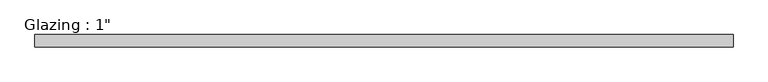
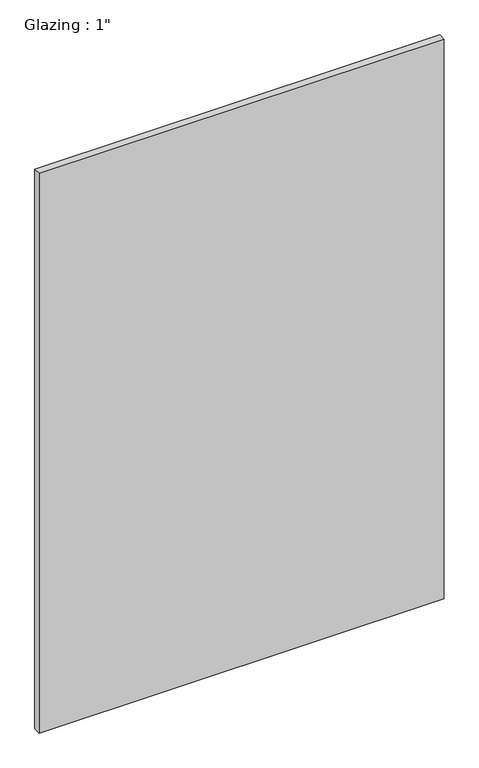
"""IFC4 building model written with IfcOpenShell, lengths in millimetres: plate geometry."""

import ifcopenshell
import ifcopenshell.guid

model = None  # the IFC model being written
_history = None  # IfcOwnerHistory: only IFC2X3 demands one
_inside = {}  # id of a spatial element -> (the spatial element, [elements in it])
_under = {}  # id of a project, library or spatial element -> (it, [spatial elements below it])
_declared = {}  # id of a project -> (the project, [libraries it declares])
_typed = {}  # id of a type object -> (the type object, [elements of that type])
_made_of = {}  # id of a material, layer set ... -> (it, [elements and type objects made of it])


def new_model(schema):
    """Start an empty IFC model of exactly this schema.

    Asked for "IFC4X3", IfcOpenShell would pick the latest addendum, in which some entities
    have other attributes; the version numbers below select the first issue.
    IFC2X3 requires an IfcOwnerHistory on every rooted entity: one is made here for all.
    """
    global model, _history
    if schema == "IFC4X3":
        model = ifcopenshell.file(schema_version=(4, 3, 0, 0))
    else:
        model = ifcopenshell.file(schema=schema)
    _inside.clear()
    _under.clear()
    _declared.clear()
    _typed.clear()
    _made_of.clear()
    _history = None
    if model.schema == "IFC2X3":
        org = make("IfcOrganization", Name="unknown")
        user = make(
            "IfcPersonAndOrganization",
            ThePerson=make("IfcPerson", FamilyName="unknown"),
            TheOrganization=org,
        )
        app = make(
            "IfcApplication",
            ApplicationDeveloper=org,
            Version="unknown",
            ApplicationFullName="unknown",
            ApplicationIdentifier="unknown",
        )
        _history = make(
            "IfcOwnerHistory",
            OwningUser=user,
            OwningApplication=app,
            ChangeAction="ADDED",
            CreationDate=0,
        )
    return model


def make(cls, **values):
    """One entity of the class cls with the attributes given. An attribute that is None is left unset."""
    return model.create_entity(
        cls, **{name: value for name, value in values.items() if value is not None}
    )


def rooted(cls, **values):
    """An entity with a GlobalId (a new one), such as an element, a storey or a relation."""
    return make(cls, GlobalId=ifcopenshell.guid.new(), OwnerHistory=_history, **values)


def si_unit(unit_type, name, prefix=None):
    """IfcSIUnit, for example si_unit("LENGTHUNIT", "METRE", prefix="MILLI")."""
    return make("IfcSIUnit", UnitType=unit_type, Prefix=prefix, Name=name)


def assignment(units):
    """IfcUnitAssignment: the units of a project."""
    return None if units is None else make("IfcUnitAssignment", Units=units)


def point(xyz):
    """IfcCartesianPoint."""
    return None if xyz is None else make("IfcCartesianPoint", Coordinates=xyz)


def direction(xyz):
    """IfcDirection."""
    return None if xyz is None else make("IfcDirection", DirectionRatios=xyz)


def frame(location, z_axis=None, x_axis=None):
    """IfcAxis2Placement3D, a coordinate frame: its origin and axes. An axis left out is left unset."""
    return make(
        "IfcAxis2Placement3D",
        Location=point(location),
        Axis=direction(z_axis),
        RefDirection=direction(x_axis),
    )


def origin():
    """The frame at (0, 0, 0) with its axes left unset."""
    return frame((0.0, 0.0, 0.0))


def origin_with_axes():
    """The frame at (0, 0, 0) with the z axis (0, 0, 1) and the x axis (1, 0, 0) written out."""
    return frame((0.0, 0.0, 0.0), z_axis=(0.0, 0.0, 1.0), x_axis=(1.0, 0.0, 0.0))


def place(relative_to, where):
    """IfcLocalPlacement: puts the frame where relative to a parent placement (None: the world)."""
    return make(
        "IfcLocalPlacement", PlacementRelTo=relative_to, RelativePlacement=where
    )


def context(
    kind, dimensions, precision=None, world=None, true_north=None, identifier=None
):
    """IfcGeometricRepresentationContext, for example the 3D "Model" context."""
    return make(
        "IfcGeometricRepresentationContext",
        ContextIdentifier=identifier,
        ContextType=kind,
        CoordinateSpaceDimension=dimensions,
        Precision=precision,
        WorldCoordinateSystem=world,
        TrueNorth=true_north,
    )


def project(units=None, contexts=None):
    """IfcProject with its units and contexts."""
    return rooted(
        "IfcProject",
        Name="project",
        RepresentationContexts=contexts,
        UnitsInContext=assignment(units),
    )


def spatial(cls, under=None, at=None, **own):
    """A site, building, storey or space (cls), placed at a placement, below another one or the project."""
    s = rooted(cls, ObjectPlacement=at, **own)
    if under is not None:
        _under.setdefault(under.id(), (under, []))[1].append(s)
    return s


def polyline(points):
    """IfcPolyline through the points."""
    return make("IfcPolyline", Points=[point(p) for p in points])


def outline(outer, holes=None, kind="AREA"):
    """IfcArbitraryClosedProfileDef: a profile drawn as a closed curve; with holes, ...WithVoids."""
    if holes is None:
        return make("IfcArbitraryClosedProfileDef", ProfileType=kind, OuterCurve=outer)
    return make(
        "IfcArbitraryProfileDefWithVoids",
        ProfileType=kind,
        OuterCurve=outer,
        InnerCurves=holes,
    )


def extrude(swept, where, along, depth):
    """IfcExtrudedAreaSolid: the profile swept, set in the frame where, extruded along a direction by depth."""
    return make(
        "IfcExtrudedAreaSolid",
        SweptArea=swept,
        Position=where,
        ExtrudedDirection=direction(along),
        Depth=depth,
    )


def shape(context_of_items, identifier, shape_type, items):
    """IfcShapeRepresentation: the items that make up one representation, for example the "Body"."""
    return make(
        "IfcShapeRepresentation",
        ContextOfItems=context_of_items,
        RepresentationIdentifier=identifier,
        RepresentationType=shape_type,
        Items=items,
    )


def source(mapping_origin, context_of_items, identifier, shape_type, items):
    """IfcRepresentationMap: a shape defined once, which mapped items show again and again."""
    return make(
        "IfcRepresentationMap",
        MappingOrigin=mapping_origin,
        MappedRepresentation=shape(context_of_items, identifier, shape_type, items),
    )


def transform(
    local_origin,
    x_axis=None,
    y_axis=None,
    z_axis=None,
    scale=None,
    scale2=None,
    scale3=None,
    uniform=True,
):
    """IfcCartesianTransformationOperator3D, or its non-uniform kind. x_axis, y_axis, z_axis: its Axis1, 2, 3."""
    if uniform:
        return make(
            "IfcCartesianTransformationOperator3D",
            Axis1=direction(x_axis),
            Axis2=direction(y_axis),
            LocalOrigin=point(local_origin),
            Scale=scale,
            Axis3=direction(z_axis),
        )
    return make(
        "IfcCartesianTransformationOperator3DnonUniform",
        Axis1=direction(x_axis),
        Axis2=direction(y_axis),
        LocalOrigin=point(local_origin),
        Scale=scale,
        Axis3=direction(z_axis),
        Scale2=scale2,
        Scale3=scale3,
    )


def mapped(mapping_source, mapping_target):
    """IfcMappedItem: shows the shape of a source again, moved by a transform."""
    return make(
        "IfcMappedItem", MappingSource=mapping_source, MappingTarget=mapping_target
    )


def made_of(thing, what):
    """Note that an element or type object is made of a material, layer set ...; save() writes the relation."""
    if what is not None:
        _made_of.setdefault(what.id(), (what, []))[1].append(thing)
    return thing


def element(
    cls,
    number,
    at=None,
    inside=None,
    cuts=None,
    type_object=None,
    material=None,
    context=None,
    identifier="Body",
    shape_type=None,
    held_by="IfcProductDefinitionShape",
    body=None,
    shapes=None,
    **own,
):
    """One element of the class cls, such as IfcWall. Its Tag is "e" and its number.

    at: its placement. inside: the storey or other place that contains it. cuts: it is an
    opening in that element (IfcRelVoidsElement). A single representation is given by context,
    identifier, shape_type and body (its items); several are given by shapes. held_by: the class
    of the entity that holds the representations. save() writes the other relations.
    """
    e = rooted(cls, Tag="e%d" % number, ObjectPlacement=at, **own)
    if body is not None:
        shapes = [shape(context, identifier, shape_type, body)]
    if shapes is not None:
        e.Representation = make(held_by, Representations=shapes)
    if inside is not None:
        _inside.setdefault(inside.id(), (inside, []))[1].append(e)
    if cuts is not None:
        rooted(
            "IfcRelVoidsElement", RelatingBuildingElement=cuts, RelatedOpeningElement=e
        )
    if type_object is not None:
        _typed.setdefault(type_object.id(), (type_object, []))[1].append(e)
    return made_of(e, material)


def aggregate(whole, parts):
    """IfcRelAggregates: a whole, such as a stair, and the parts it consists of."""
    return rooted("IfcRelAggregates", RelatingObject=whole, RelatedObjects=parts)


def save(model, path):
    """Write the relations noted so far, then the file.

    IfcRelAggregates (storeys below a building ...), IfcRelContainedInSpatialStructure (elements
    in a storey), IfcRelDefinesByType, IfcRelAssociatesMaterial and IfcRelDeclares: one each for
    every whole, place, type object, material and project.
    """
    for whole, parts in _under.values():
        aggregate(whole, parts)
    for where, things in _inside.values():
        rooted(
            "IfcRelContainedInSpatialStructure",
            RelatedElements=things,
            RelatingStructure=where,
        )
    for kind, things in _typed.values():
        rooted("IfcRelDefinesByType", RelatedObjects=things, RelatingType=kind)
    for what, things in _made_of.values():
        rooted("IfcRelAssociatesMaterial", RelatedObjects=things, RelatingMaterial=what)
    for by, libraries in _declared.values():
        rooted("IfcRelDeclares", RelatingContext=by, RelatedDefinitions=libraries)
    model.write(path)


def plate_28bfd8c5(model_context):
    return source(origin(), model_context, "Body", "SweptSolid", [
        extrude(outline(polyline([(717.0507144, -12.7), (-717.0507144, -12.7), (-717.0507144, 12.7), (717.0507144, 12.7), (717.0507144, -12.7)])), origin_with_axes(), (0.0, 0.0, 1.0), 2094.5430277),
    ])


if __name__ == "__main__":
    model = new_model("IFC4")
    model_context = context("Model", 3, world=origin())
    ifc_project = project(units=[si_unit("LENGTHUNIT", "METRE", prefix="MILLI")], contexts=[model_context])
    site = spatial("IfcSite", under=ifc_project)
    building = spatial("IfcBuilding", under=site)
    placement = place(None, origin())
    plate_shape = plate_28bfd8c5(model_context)
    element("IfcPlate", 1, ObjectType="Glazing : 1\"", at=placement, inside=building, context=model_context, shape_type="MappedRepresentation", body=[
        mapped(plate_shape, transform((0.0, 0.0, 0.0), x_axis=(1.0, 0.0, 0.0), y_axis=(0.0, 1.0, 0.0), z_axis=(0.0, 0.0, 1.0))),
    ])
    save(model, "model.ifc")
